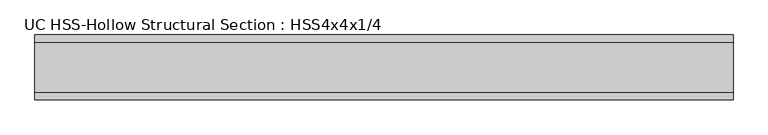
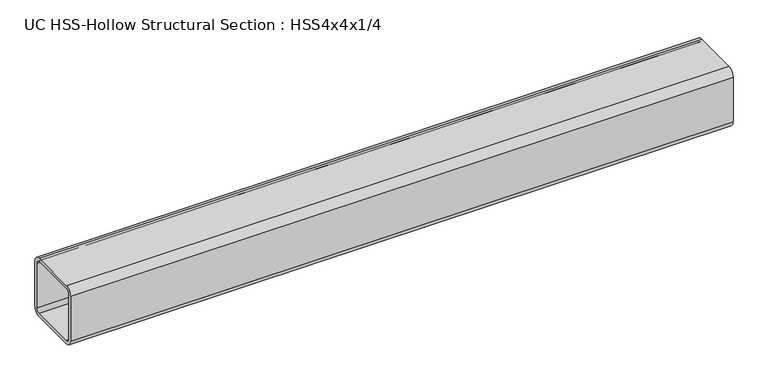
"""IFC4 building model written with IfcOpenShell, lengths in millimetres: beam geometry, UC HSS-Hollow Structural Section : HSS4x4x1/4."""

from ifc_helpers import new_model, si_unit, point, frame, frame_2d, origin, place, context, project, spatial, polyline, circle_curve, trimmed, segment, composite_curve, outline, extrude, source, transform, mapped, element, save


def uc_hss_hollow_structural_section_hss4x4x1_4_981f6498(model_context):
    return source(origin(), model_context, "Body", "SweptSolid", [
        extrude(outline(composite_curve([segment(polyline([(50.8, 38.9636), (50.8, -38.9636)]), True, "CONTINUOUS"), segment(trimmed(circle_curve(frame_2d((38.9636, -38.9636)), 11.8364), [point((50.8, -38.9636))], [point((38.9636, -50.8))], False, "CARTESIAN"), True, "CONTINUOUS"), segment(polyline([(38.9636, -50.8), (-38.9636, -50.8)]), True, "CONTINUOUS"), segment(trimmed(circle_curve(frame_2d((-38.9636, -38.9636)), 11.8364), [point((-38.9636, -50.8))], [point((-50.8, -38.9636))], False, "CARTESIAN"), True, "CONTINUOUS"), segment(polyline([(-50.8, -38.9636), (-50.8, 38.9636)]), True, "CONTINUOUS"), segment(trimmed(circle_curve(frame_2d((-38.9636, 38.9636)), 11.8364), [point((-50.8, 38.9636))], [point((-38.9636, 50.8))], False, "CARTESIAN"), True, "CONTINUOUS"), segment(polyline([(-38.9636, 50.8), (38.9636, 50.8)]), True, "CONTINUOUS"), segment(trimmed(circle_curve(frame_2d((38.9636, 38.9636)), 11.8364), [point((38.9636, 50.8))], [point((50.8, 38.9636))], False, "CARTESIAN"), True, "CONTINUOUS")], self_intersect=False), holes=[composite_curve([segment(trimmed(circle_curve(frame_2d((-38.9636, 38.9636)), 5.9182), [point((-38.9636, 44.8818))], [point((-44.8818, 38.9636))], True, "CARTESIAN"), True, "CONTINUOUS"), segment(polyline([(-44.8818, 38.9636), (-44.8818, -38.9636)]), True, "CONTINUOUS"), segment(trimmed(circle_curve(frame_2d((-38.9636, -38.9636)), 5.9182), [point((-44.8818, -38.9636))], [point((-38.9636, -44.8818))], True, "CARTESIAN"), True, "CONTINUOUS"), segment(polyline([(-38.9636, -44.8818), (38.9636, -44.8818)]), True, "CONTINUOUS"), segment(trimmed(circle_curve(frame_2d((38.9636, -38.9636)), 5.9182), [point((38.9636, -44.8818))], [point((44.8818, -38.9636))], True, "CARTESIAN"), True, "CONTINUOUS"), segment(polyline([(44.8818, -38.9636), (44.8818, 38.9636)]), True, "CONTINUOUS"), segment(trimmed(circle_curve(frame_2d((38.9636, 38.9636)), 5.9182), [point((44.8818, 38.9636))], [point((38.9636, 44.8818))], True, "CARTESIAN"), True, "CONTINUOUS"), segment(polyline([(38.9636, 44.8818), (-38.9636, 44.8818)]), True, "CONTINUOUS")], self_intersect=False)]), frame((-520.7, 0.0, 0.0), z_axis=(1.0, 0.0, 0.0), x_axis=(0.0, 1.0, 0.0)), (0.0, 0.0, 1.0), 1093.5786939),
    ])


if __name__ == "__main__":
    model = new_model("IFC4")
    model_context = context("Model", 3, world=origin())
    ifc_project = project(units=[si_unit("LENGTHUNIT", "METRE", prefix="MILLI")], contexts=[model_context])
    site = spatial("IfcSite", under=ifc_project)
    building = spatial("IfcBuilding", under=site)
    placement = place(None, origin())
    uc_hss_hollow_structural_section_hss4x4x1_4_shape = uc_hss_hollow_structural_section_hss4x4x1_4_981f6498(model_context)
    element("IfcBeam", 1, ObjectType="UC HSS-Hollow Structural Section : HSS4x4x1/4", at=placement, inside=building, context=model_context, shape_type="MappedRepresentation", body=[
        mapped(uc_hss_hollow_structural_section_hss4x4x1_4_shape, transform((0.0, 0.0, 0.0), x_axis=(1.0, 0.0, 0.0), y_axis=(0.0, 1.0, 0.0), z_axis=(0.0, 0.0, 1.0))),
    ])
    save(model, "model.ifc")
